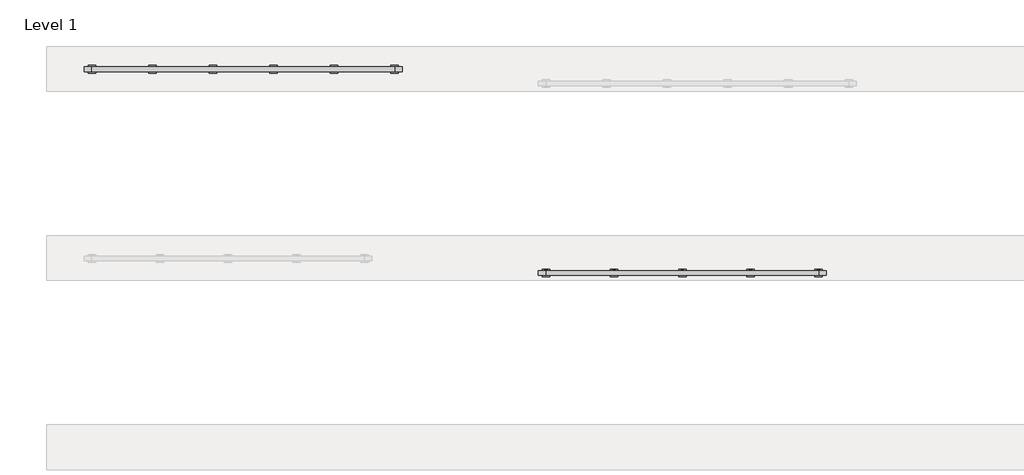
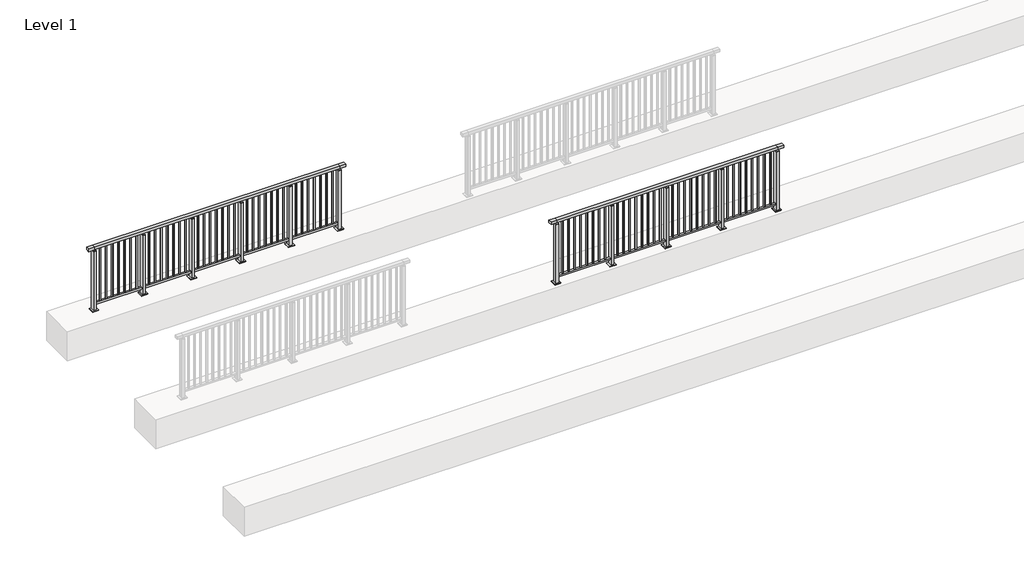
# One storey, part 13 of 37: 2 railings.
"""IFC4 building model written with IfcOpenShell, lengths in millimetres."""

from ifc_helpers import new_model, si_unit, frame, origin, origin_with_axes, place, context, project, spatial, polyline, outline, extrude, faceted_brep, element, save

model = new_model("IFC4")

# Units and contexts
model_context = context("Model", 3, world=origin())
ifc_project = project(units=[si_unit("LENGTHUNIT", "METRE", prefix="MILLI")], contexts=[model_context])

# Site, building, storey
site = spatial("IfcSite", under=ifc_project)
building = spatial("IfcBuilding", under=site)
storey = spatial("IfcBuildingStorey", under=building, Name="Level 1", Elevation=0.0)

# Railings
placement = place(None, origin())
element("IfcRailing", 1, at=placement, inside=storey, context=model_context, shape_type="SolidModel", body=[
    faceted_brep([(0.0, 22720.1846828, 1055.0), (0.0, 22720.1846828, 1100.0), (4000.0, 22720.1846828, 1100.0), (4000.0, 22720.1846828, 1055.0), (0.0, 22660.1846828, 1055.0), (4000.0, 22660.1846828, 1055.0), (0.0, 22660.1846828, 1100.0), (4000.0, 22660.1846828, 1100.0), (-100.0, 22720.1846828, 1100.0), (-100.0, 22720.1846828, 1055.0), (-100.0, 22660.1846828, 1055.0), (-100.0, 22660.1846828, 1100.0), (4100.0, 22720.1846828, 1100.0), (4100.0, 22660.1846828, 1100.0), (4100.0, 22660.1846828, 1055.0), (4100.0, 22720.1846828, 1055.0)], [[[0, 1, 2, 3]], [[4, 0, 3, 5]], [[6, 4, 5, 7]], [[1, 6, 7, 2]], [[8, 9, 10, 11]], [[9, 8, 1, 0]], [[10, 9, 0, 4]], [[11, 10, 4, 6]], [[8, 11, 6, 1]], [[12, 13, 14, 15]], [[3, 2, 12, 15]], [[5, 3, 15, 14]], [[7, 5, 14, 13]], [[2, 7, 13, 12]]]),
    extrude(outline(polyline([(0.0, 22672.6846828), (0.0, 22707.6846828), (4000.0, 22707.6846828), (4000.0, 22672.6846828), (0.0, 22672.6846828)])), frame((0.0, 0.0, 95.0), z_axis=(0.0, 0.0, 1.0), x_axis=(1.0, 0.0, 0.0)), (0.0, 0.0, 1.0), 30.0),
    extrude(outline(polyline([(3908.5, 22698.6846828), (3908.5, 22681.6846828), (3891.5, 22681.6846828), (3891.5, 22698.6846828), (3908.5, 22698.6846828)])), frame((0.0, 0.0, 125.0), z_axis=(0.0, 0.0, 1.0), x_axis=(1.0, 0.0, 0.0)), (0.0, 0.0, 1.0), 930.0),
    extrude(outline(polyline([(3808.5, 22698.6846828), (3808.5, 22681.6846828), (3791.5, 22681.6846828), (3791.5, 22698.6846828), (3808.5, 22698.6846828)])), frame((0.0, 0.0, 125.0), z_axis=(0.0, 0.0, 1.0), x_axis=(1.0, 0.0, 0.0)), (0.0, 0.0, 1.0), 930.0),
    extrude(outline(polyline([(3708.5, 22698.6846828), (3708.5, 22681.6846828), (3691.5, 22681.6846828), (3691.5, 22698.6846828), (3708.5, 22698.6846828)])), frame((0.0, 0.0, 125.0), z_axis=(0.0, 0.0, 1.0), x_axis=(1.0, 0.0, 0.0)), (0.0, 0.0, 1.0), 930.0),
    extrude(outline(polyline([(3608.5, 22698.6846828), (3608.5, 22681.6846828), (3591.5, 22681.6846828), (3591.5, 22698.6846828), (3608.5, 22698.6846828)])), frame((0.0, 0.0, 125.0), z_axis=(0.0, 0.0, 1.0), x_axis=(1.0, 0.0, 0.0)), (0.0, 0.0, 1.0), 930.0),
    extrude(outline(polyline([(3508.5, 22698.6846828), (3508.5, 22681.6846828), (3491.5, 22681.6846828), (3491.5, 22698.6846828), (3508.5, 22698.6846828)])), frame((0.0, 0.0, 125.0), z_axis=(0.0, 0.0, 1.0), x_axis=(1.0, 0.0, 0.0)), (0.0, 0.0, 1.0), 930.0),
    extrude(outline(polyline([(3408.5, 22698.6846828), (3408.5, 22681.6846828), (3391.5, 22681.6846828), (3391.5, 22698.6846828), (3408.5, 22698.6846828)])), frame((0.0, 0.0, 125.0), z_axis=(0.0, 0.0, 1.0), x_axis=(1.0, 0.0, 0.0)), (0.0, 0.0, 1.0), 930.0),
    extrude(outline(polyline([(3308.5, 22698.6846828), (3308.5, 22681.6846828), (3291.5, 22681.6846828), (3291.5, 22698.6846828), (3308.5, 22698.6846828)])), frame((0.0, 0.0, 125.0), z_axis=(0.0, 0.0, 1.0), x_axis=(1.0, 0.0, 0.0)), (0.0, 0.0, 1.0), 930.0),
    extrude(outline(polyline([(3210.0, 22680.1846828), (3190.0, 22680.1846828), (3190.0, 22700.1846828), (3210.0, 22700.1846828), (3210.0, 22680.1846828)])), frame((0.0, 0.0, 1035.0), z_axis=(0.0, 0.0, 1.0), x_axis=(1.0, 0.0, 0.0)), (0.0, 0.0, 1.0), 20.0),
    extrude(outline(polyline([(3222.5, 22657.6846828), (3177.5, 22657.6846828), (3177.5, 22722.6846828), (3222.5, 22722.6846828), (3222.5, 22657.6846828)])), frame((0.0, 0.0, 1027.0), z_axis=(0.0, 0.0, 1.0), x_axis=(1.0, 0.0, 0.0)), (0.0, 0.0, 1.0), 8.0),
    extrude(outline(polyline([(3250.0, 22640.1846828), (3150.0, 22640.1846828), (3150.0, 22740.1846828), (3250.0, 22740.1846828), (3250.0, 22640.1846828)])), origin_with_axes(), (0.0, 0.0, 1.0), 12.0),
    extrude(outline(polyline([(3222.5, 22657.6846828), (3177.5, 22657.6846828), (3177.5, 22722.6846828), (3222.5, 22722.6846828), (3222.5, 22657.6846828)])), frame((0.0, 0.0, 12.0), z_axis=(0.0, 0.0, 1.0), x_axis=(1.0, 0.0, 0.0)), (0.0, 0.0, 1.0), 1015.0),
    extrude(outline(polyline([(3108.5, 22698.6846828), (3108.5, 22681.6846828), (3091.5, 22681.6846828), (3091.5, 22698.6846828), (3108.5, 22698.6846828)])), frame((0.0, 0.0, 125.0), z_axis=(0.0, 0.0, 1.0), x_axis=(1.0, 0.0, 0.0)), (0.0, 0.0, 1.0), 930.0),
    extrude(outline(polyline([(3008.5, 22698.6846828), (3008.5, 22681.6846828), (2991.5, 22681.6846828), (2991.5, 22698.6846828), (3008.5, 22698.6846828)])), frame((0.0, 0.0, 125.0), z_axis=(0.0, 0.0, 1.0), x_axis=(1.0, 0.0, 0.0)), (0.0, 0.0, 1.0), 930.0),
    extrude(outline(polyline([(2908.5, 22698.6846828), (2908.5, 22681.6846828), (2891.5, 22681.6846828), (2891.5, 22698.6846828), (2908.5, 22698.6846828)])), frame((0.0, 0.0, 125.0), z_axis=(0.0, 0.0, 1.0), x_axis=(1.0, 0.0, 0.0)), (0.0, 0.0, 1.0), 930.0),
    extrude(outline(polyline([(2808.5, 22698.6846828), (2808.5, 22681.6846828), (2791.5, 22681.6846828), (2791.5, 22698.6846828), (2808.5, 22698.6846828)])), frame((0.0, 0.0, 125.0), z_axis=(0.0, 0.0, 1.0), x_axis=(1.0, 0.0, 0.0)), (0.0, 0.0, 1.0), 930.0),
    extrude(outline(polyline([(2708.5, 22698.6846828), (2708.5, 22681.6846828), (2691.5, 22681.6846828), (2691.5, 22698.6846828), (2708.5, 22698.6846828)])), frame((0.0, 0.0, 125.0), z_axis=(0.0, 0.0, 1.0), x_axis=(1.0, 0.0, 0.0)), (0.0, 0.0, 1.0), 930.0),
    extrude(outline(polyline([(2608.5, 22698.6846828), (2608.5, 22681.6846828), (2591.5, 22681.6846828), (2591.5, 22698.6846828), (2608.5, 22698.6846828)])), frame((0.0, 0.0, 125.0), z_axis=(0.0, 0.0, 1.0), x_axis=(1.0, 0.0, 0.0)), (0.0, 0.0, 1.0), 930.0),
    extrude(outline(polyline([(2508.5, 22698.6846828), (2508.5, 22681.6846828), (2491.5, 22681.6846828), (2491.5, 22698.6846828), (2508.5, 22698.6846828)])), frame((0.0, 0.0, 125.0), z_axis=(0.0, 0.0, 1.0), x_axis=(1.0, 0.0, 0.0)), (0.0, 0.0, 1.0), 930.0),
    extrude(outline(polyline([(2410.0, 22680.1846828), (2390.0, 22680.1846828), (2390.0, 22700.1846828), (2410.0, 22700.1846828), (2410.0, 22680.1846828)])), frame((0.0, 0.0, 1035.0), z_axis=(0.0, 0.0, 1.0), x_axis=(1.0, 0.0, 0.0)), (0.0, 0.0, 1.0), 20.0),
    extrude(outline(polyline([(2422.5, 22657.6846828), (2377.5, 22657.6846828), (2377.5, 22722.6846828), (2422.5, 22722.6846828), (2422.5, 22657.6846828)])), frame((0.0, 0.0, 1027.0), z_axis=(0.0, 0.0, 1.0), x_axis=(1.0, 0.0, 0.0)), (0.0, 0.0, 1.0), 8.0),
    extrude(outline(polyline([(2450.0, 22640.1846828), (2350.0, 22640.1846828), (2350.0, 22740.1846828), (2450.0, 22740.1846828), (2450.0, 22640.1846828)])), origin_with_axes(), (0.0, 0.0, 1.0), 12.0),
    extrude(outline(polyline([(2422.5, 22657.6846828), (2377.5, 22657.6846828), (2377.5, 22722.6846828), (2422.5, 22722.6846828), (2422.5, 22657.6846828)])), frame((0.0, 0.0, 12.0), z_axis=(0.0, 0.0, 1.0), x_axis=(1.0, 0.0, 0.0)), (0.0, 0.0, 1.0), 1015.0),
    extrude(outline(polyline([(2308.5, 22698.6846828), (2308.5, 22681.6846828), (2291.5, 22681.6846828), (2291.5, 22698.6846828), (2308.5, 22698.6846828)])), frame((0.0, 0.0, 125.0), z_axis=(0.0, 0.0, 1.0), x_axis=(1.0, 0.0, 0.0)), (0.0, 0.0, 1.0), 930.0),
    extrude(outline(polyline([(2208.5, 22698.6846828), (2208.5, 22681.6846828), (2191.5, 22681.6846828), (2191.5, 22698.6846828), (2208.5, 22698.6846828)])), frame((0.0, 0.0, 125.0), z_axis=(0.0, 0.0, 1.0), x_axis=(1.0, 0.0, 0.0)), (0.0, 0.0, 1.0), 930.0),
    extrude(outline(polyline([(2108.5, 22698.6846828), (2108.5, 22681.6846828), (2091.5, 22681.6846828), (2091.5, 22698.6846828), (2108.5, 22698.6846828)])), frame((0.0, 0.0, 125.0), z_axis=(0.0, 0.0, 1.0), x_axis=(1.0, 0.0, 0.0)), (0.0, 0.0, 1.0), 930.0),
    extrude(outline(polyline([(2008.5, 22698.6846828), (2008.5, 22681.6846828), (1991.5, 22681.6846828), (1991.5, 22698.6846828), (2008.5, 22698.6846828)])), frame((0.0, 0.0, 125.0), z_axis=(0.0, 0.0, 1.0), x_axis=(1.0, 0.0, 0.0)), (0.0, 0.0, 1.0), 930.0),
    extrude(outline(polyline([(1908.5, 22698.6846828), (1908.5, 22681.6846828), (1891.5, 22681.6846828), (1891.5, 22698.6846828), (1908.5, 22698.6846828)])), frame((0.0, 0.0, 125.0), z_axis=(0.0, 0.0, 1.0), x_axis=(1.0, 0.0, 0.0)), (0.0, 0.0, 1.0), 930.0),
    extrude(outline(polyline([(1808.5, 22698.6846828), (1808.5, 22681.6846828), (1791.5, 22681.6846828), (1791.5, 22698.6846828), (1808.5, 22698.6846828)])), frame((0.0, 0.0, 125.0), z_axis=(0.0, 0.0, 1.0), x_axis=(1.0, 0.0, 0.0)), (0.0, 0.0, 1.0), 930.0),
    extrude(outline(polyline([(1708.5, 22698.6846828), (1708.5, 22681.6846828), (1691.5, 22681.6846828), (1691.5, 22698.6846828), (1708.5, 22698.6846828)])), frame((0.0, 0.0, 125.0), z_axis=(0.0, 0.0, 1.0), x_axis=(1.0, 0.0, 0.0)), (0.0, 0.0, 1.0), 930.0),
    extrude(outline(polyline([(1610.0, 22680.1846828), (1590.0, 22680.1846828), (1590.0, 22700.1846828), (1610.0, 22700.1846828), (1610.0, 22680.1846828)])), frame((0.0, 0.0, 1035.0), z_axis=(0.0, 0.0, 1.0), x_axis=(1.0, 0.0, 0.0)), (0.0, 0.0, 1.0), 20.0),
    extrude(outline(polyline([(1622.5, 22657.6846828), (1577.5, 22657.6846828), (1577.5, 22722.6846828), (1622.5, 22722.6846828), (1622.5, 22657.6846828)])), frame((0.0, 0.0, 1027.0), z_axis=(0.0, 0.0, 1.0), x_axis=(1.0, 0.0, 0.0)), (0.0, 0.0, 1.0), 8.0),
    extrude(outline(polyline([(1650.0, 22640.1846828), (1550.0, 22640.1846828), (1550.0, 22740.1846828), (1650.0, 22740.1846828), (1650.0, 22640.1846828)])), origin_with_axes(), (0.0, 0.0, 1.0), 12.0),
    extrude(outline(polyline([(1622.5, 22657.6846828), (1577.5, 22657.6846828), (1577.5, 22722.6846828), (1622.5, 22722.6846828), (1622.5, 22657.6846828)])), frame((0.0, 0.0, 12.0), z_axis=(0.0, 0.0, 1.0), x_axis=(1.0, 0.0, 0.0)), (0.0, 0.0, 1.0), 1015.0),
    extrude(outline(polyline([(1508.5, 22698.6846828), (1508.5, 22681.6846828), (1491.5, 22681.6846828), (1491.5, 22698.6846828), (1508.5, 22698.6846828)])), frame((0.0, 0.0, 125.0), z_axis=(0.0, 0.0, 1.0), x_axis=(1.0, 0.0, 0.0)), (0.0, 0.0, 1.0), 930.0),
    extrude(outline(polyline([(1408.5, 22698.6846828), (1408.5, 22681.6846828), (1391.5, 22681.6846828), (1391.5, 22698.6846828), (1408.5, 22698.6846828)])), frame((0.0, 0.0, 125.0), z_axis=(0.0, 0.0, 1.0), x_axis=(1.0, 0.0, 0.0)), (0.0, 0.0, 1.0), 930.0),
    extrude(outline(polyline([(1308.5, 22698.6846828), (1308.5, 22681.6846828), (1291.5, 22681.6846828), (1291.5, 22698.6846828), (1308.5, 22698.6846828)])), frame((0.0, 0.0, 125.0), z_axis=(0.0, 0.0, 1.0), x_axis=(1.0, 0.0, 0.0)), (0.0, 0.0, 1.0), 930.0),
    extrude(outline(polyline([(1208.5, 22698.6846828), (1208.5, 22681.6846828), (1191.5, 22681.6846828), (1191.5, 22698.6846828), (1208.5, 22698.6846828)])), frame((0.0, 0.0, 125.0), z_axis=(0.0, 0.0, 1.0), x_axis=(1.0, 0.0, 0.0)), (0.0, 0.0, 1.0), 930.0),
    extrude(outline(polyline([(1108.5, 22698.6846828), (1108.5, 22681.6846828), (1091.5, 22681.6846828), (1091.5, 22698.6846828), (1108.5, 22698.6846828)])), frame((0.0, 0.0, 125.0), z_axis=(0.0, 0.0, 1.0), x_axis=(1.0, 0.0, 0.0)), (0.0, 0.0, 1.0), 930.0),
    extrude(outline(polyline([(1008.5, 22698.6846828), (1008.5, 22681.6846828), (991.5, 22681.6846828), (991.5, 22698.6846828), (1008.5, 22698.6846828)])), frame((0.0, 0.0, 125.0), z_axis=(0.0, 0.0, 1.0), x_axis=(1.0, 0.0, 0.0)), (0.0, 0.0, 1.0), 930.0),
    extrude(outline(polyline([(908.5, 22698.6846828), (908.5, 22681.6846828), (891.5, 22681.6846828), (891.5, 22698.6846828), (908.5, 22698.6846828)])), frame((0.0, 0.0, 125.0), z_axis=(0.0, 0.0, 1.0), x_axis=(1.0, 0.0, 0.0)), (0.0, 0.0, 1.0), 930.0),
    extrude(outline(polyline([(810.0, 22680.1846828), (790.0, 22680.1846828), (790.0, 22700.1846828), (810.0, 22700.1846828), (810.0, 22680.1846828)])), frame((0.0, 0.0, 1035.0), z_axis=(0.0, 0.0, 1.0), x_axis=(1.0, 0.0, 0.0)), (0.0, 0.0, 1.0), 20.0),
    extrude(outline(polyline([(822.5, 22657.6846828), (777.5, 22657.6846828), (777.5, 22722.6846828), (822.5, 22722.6846828), (822.5, 22657.6846828)])), frame((0.0, 0.0, 1027.0), z_axis=(0.0, 0.0, 1.0), x_axis=(1.0, 0.0, 0.0)), (0.0, 0.0, 1.0), 8.0),
    extrude(outline(polyline([(850.0, 22640.1846828), (750.0, 22640.1846828), (750.0, 22740.1846828), (850.0, 22740.1846828), (850.0, 22640.1846828)])), origin_with_axes(), (0.0, 0.0, 1.0), 12.0),
    extrude(outline(polyline([(822.5, 22657.6846828), (777.5, 22657.6846828), (777.5, 22722.6846828), (822.5, 22722.6846828), (822.5, 22657.6846828)])), frame((0.0, 0.0, 12.0), z_axis=(0.0, 0.0, 1.0), x_axis=(1.0, 0.0, 0.0)), (0.0, 0.0, 1.0), 1015.0),
    extrude(outline(polyline([(708.5, 22698.6846828), (708.5, 22681.6846828), (691.5, 22681.6846828), (691.5, 22698.6846828), (708.5, 22698.6846828)])), frame((0.0, 0.0, 125.0), z_axis=(0.0, 0.0, 1.0), x_axis=(1.0, 0.0, 0.0)), (0.0, 0.0, 1.0), 930.0),
    extrude(outline(polyline([(608.5, 22698.6846828), (608.5, 22681.6846828), (591.5, 22681.6846828), (591.5, 22698.6846828), (608.5, 22698.6846828)])), frame((0.0, 0.0, 125.0), z_axis=(0.0, 0.0, 1.0), x_axis=(1.0, 0.0, 0.0)), (0.0, 0.0, 1.0), 930.0),
    extrude(outline(polyline([(508.5, 22698.6846828), (508.5, 22681.6846828), (491.5, 22681.6846828), (491.5, 22698.6846828), (508.5, 22698.6846828)])), frame((0.0, 0.0, 125.0), z_axis=(0.0, 0.0, 1.0), x_axis=(1.0, 0.0, 0.0)), (0.0, 0.0, 1.0), 930.0),
    extrude(outline(polyline([(408.5, 22698.6846828), (408.5, 22681.6846828), (391.5, 22681.6846828), (391.5, 22698.6846828), (408.5, 22698.6846828)])), frame((0.0, 0.0, 125.0), z_axis=(0.0, 0.0, 1.0), x_axis=(1.0, 0.0, 0.0)), (0.0, 0.0, 1.0), 930.0),
    extrude(outline(polyline([(308.5, 22698.6846828), (308.5, 22681.6846828), (291.5, 22681.6846828), (291.5, 22698.6846828), (308.5, 22698.6846828)])), frame((0.0, 0.0, 125.0), z_axis=(0.0, 0.0, 1.0), x_axis=(1.0, 0.0, 0.0)), (0.0, 0.0, 1.0), 930.0),
    extrude(outline(polyline([(208.5, 22698.6846828), (208.5, 22681.6846828), (191.5, 22681.6846828), (191.5, 22698.6846828), (208.5, 22698.6846828)])), frame((0.0, 0.0, 125.0), z_axis=(0.0, 0.0, 1.0), x_axis=(1.0, 0.0, 0.0)), (0.0, 0.0, 1.0), 930.0),
    extrude(outline(polyline([(108.5, 22698.6846828), (108.5, 22681.6846828), (91.5, 22681.6846828), (91.5, 22698.6846828), (108.5, 22698.6846828)])), frame((0.0, 0.0, 125.0), z_axis=(0.0, 0.0, 1.0), x_axis=(1.0, 0.0, 0.0)), (0.0, 0.0, 1.0), 930.0),
    extrude(outline(polyline([(4010.0, 22680.1846828), (3990.0, 22680.1846828), (3990.0, 22700.1846828), (4010.0, 22700.1846828), (4010.0, 22680.1846828)])), frame((0.0, 0.0, 1035.0), z_axis=(0.0, 0.0, 1.0), x_axis=(1.0, 0.0, 0.0)), (0.0, 0.0, 1.0), 20.0),
    extrude(outline(polyline([(4022.5, 22657.6846828), (3977.5, 22657.6846828), (3977.5, 22722.6846828), (4022.5, 22722.6846828), (4022.5, 22657.6846828)])), frame((0.0, 0.0, 1027.0), z_axis=(0.0, 0.0, 1.0), x_axis=(1.0, 0.0, 0.0)), (0.0, 0.0, 1.0), 8.0),
    extrude(outline(polyline([(4050.0, 22640.1846828), (3950.0, 22640.1846828), (3950.0, 22740.1846828), (4050.0, 22740.1846828), (4050.0, 22640.1846828)])), origin_with_axes(), (0.0, 0.0, 1.0), 12.0),
    extrude(outline(polyline([(4022.5, 22657.6846828), (3977.5, 22657.6846828), (3977.5, 22722.6846828), (4022.5, 22722.6846828), (4022.5, 22657.6846828)])), frame((0.0, 0.0, 12.0), z_axis=(0.0, 0.0, 1.0), x_axis=(1.0, 0.0, 0.0)), (0.0, 0.0, 1.0), 1015.0),
    extrude(outline(polyline([(10.0, 22680.1846828), (-10.0, 22680.1846828), (-10.0, 22700.1846828), (10.0, 22700.1846828), (10.0, 22680.1846828)])), frame((0.0, 0.0, 1035.0), z_axis=(0.0, 0.0, 1.0), x_axis=(1.0, 0.0, 0.0)), (0.0, 0.0, 1.0), 20.0),
    extrude(outline(polyline([(22.5, 22657.6846828), (-22.5, 22657.6846828), (-22.5, 22722.6846828), (22.5, 22722.6846828), (22.5, 22657.6846828)])), frame((0.0, 0.0, 1027.0), z_axis=(0.0, 0.0, 1.0), x_axis=(1.0, 0.0, 0.0)), (0.0, 0.0, 1.0), 8.0),
    extrude(outline(polyline([(50.0, 22640.1846828), (-50.0, 22640.1846828), (-50.0, 22740.1846828), (50.0, 22740.1846828), (50.0, 22640.1846828)])), origin_with_axes(), (0.0, 0.0, 1.0), 12.0),
    extrude(outline(polyline([(22.5, 22657.6846828), (-22.5, 22657.6846828), (-22.5, 22722.6846828), (22.5, 22722.6846828), (22.5, 22657.6846828)])), frame((0.0, 0.0, 12.0), z_axis=(0.0, 0.0, 1.0), x_axis=(1.0, 0.0, 0.0)), (0.0, 0.0, 1.0), 1015.0),
])
element("IfcRailing", 2, at=placement, inside=storey, context=model_context, shape_type="SolidModel", body=[
    faceted_brep([(6000.0, 20030.1846828, 1055.0), (6000.0, 20030.1846828, 1100.0), (9600.0, 20030.1846828, 1100.0), (9600.0, 20030.1846828, 1055.0), (6000.0, 19970.1846828, 1055.0), (9600.0, 19970.1846828, 1055.0), (6000.0, 19970.1846828, 1100.0), (9600.0, 19970.1846828, 1100.0), (5900.0, 20030.1846828, 1100.0), (5900.0, 20030.1846828, 1055.0), (5900.0, 19970.1846828, 1055.0), (5900.0, 19970.1846828, 1100.0), (9700.0, 20030.1846828, 1100.0), (9700.0, 19970.1846828, 1100.0), (9700.0, 19970.1846828, 1055.0), (9700.0, 20030.1846828, 1055.0)], [[[0, 1, 2, 3]], [[4, 0, 3, 5]], [[6, 4, 5, 7]], [[1, 6, 7, 2]], [[8, 9, 10, 11]], [[9, 8, 1, 0]], [[10, 9, 0, 4]], [[11, 10, 4, 6]], [[8, 11, 6, 1]], [[12, 13, 14, 15]], [[3, 2, 12, 15]], [[5, 3, 15, 14]], [[7, 5, 14, 13]], [[2, 7, 13, 12]]]),
    extrude(outline(polyline([(6000.0, 19982.6846828), (6000.0, 20017.6846828), (9600.0, 20017.6846828), (9600.0, 19982.6846828), (6000.0, 19982.6846828)])), frame((0.0, 0.0, 95.0), z_axis=(0.0, 0.0, 1.0), x_axis=(1.0, 0.0, 0.0)), (0.0, 0.0, 1.0), 30.0),
    extrude(outline(polyline([(9508.5, 20008.6846828), (9508.5, 19991.6846828), (9491.5, 19991.6846828), (9491.5, 20008.6846828), (9508.5, 20008.6846828)])), frame((0.0, 0.0, 125.0), z_axis=(0.0, 0.0, 1.0), x_axis=(1.0, 0.0, 0.0)), (0.0, 0.0, 1.0), 930.0),
    extrude(outline(polyline([(9408.5, 20008.6846828), (9408.5, 19991.6846828), (9391.5, 19991.6846828), (9391.5, 20008.6846828), (9408.5, 20008.6846828)])), frame((0.0, 0.0, 125.0), z_axis=(0.0, 0.0, 1.0), x_axis=(1.0, 0.0, 0.0)), (0.0, 0.0, 1.0), 930.0),
    extrude(outline(polyline([(9308.5, 20008.6846828), (9308.5, 19991.6846828), (9291.5, 19991.6846828), (9291.5, 20008.6846828), (9308.5, 20008.6846828)])), frame((0.0, 0.0, 125.0), z_axis=(0.0, 0.0, 1.0), x_axis=(1.0, 0.0, 0.0)), (0.0, 0.0, 1.0), 930.0),
    extrude(outline(polyline([(9208.5, 20008.6846828), (9208.5, 19991.6846828), (9191.5, 19991.6846828), (9191.5, 20008.6846828), (9208.5, 20008.6846828)])), frame((0.0, 0.0, 125.0), z_axis=(0.0, 0.0, 1.0), x_axis=(1.0, 0.0, 0.0)), (0.0, 0.0, 1.0), 930.0),
    extrude(outline(polyline([(9108.5, 20008.6846828), (9108.5, 19991.6846828), (9091.5, 19991.6846828), (9091.5, 20008.6846828), (9108.5, 20008.6846828)])), frame((0.0, 0.0, 125.0), z_axis=(0.0, 0.0, 1.0), x_axis=(1.0, 0.0, 0.0)), (0.0, 0.0, 1.0), 930.0),
    extrude(outline(polyline([(9008.5, 20008.6846828), (9008.5, 19991.6846828), (8991.5, 19991.6846828), (8991.5, 20008.6846828), (9008.5, 20008.6846828)])), frame((0.0, 0.0, 125.0), z_axis=(0.0, 0.0, 1.0), x_axis=(1.0, 0.0, 0.0)), (0.0, 0.0, 1.0), 930.0),
    extrude(outline(polyline([(8908.5, 20008.6846828), (8908.5, 19991.6846828), (8891.5, 19991.6846828), (8891.5, 20008.6846828), (8908.5, 20008.6846828)])), frame((0.0, 0.0, 125.0), z_axis=(0.0, 0.0, 1.0), x_axis=(1.0, 0.0, 0.0)), (0.0, 0.0, 1.0), 930.0),
    extrude(outline(polyline([(8808.5, 20008.6846828), (8808.5, 19991.6846828), (8791.5, 19991.6846828), (8791.5, 20008.6846828), (8808.5, 20008.6846828)])), frame((0.0, 0.0, 125.0), z_axis=(0.0, 0.0, 1.0), x_axis=(1.0, 0.0, 0.0)), (0.0, 0.0, 1.0), 930.0),
    extrude(outline(polyline([(8710.0, 19990.1846828), (8690.0, 19990.1846828), (8690.0, 20010.1846828), (8710.0, 20010.1846828), (8710.0, 19990.1846828)])), frame((0.0, 0.0, 1035.0), z_axis=(0.0, 0.0, 1.0), x_axis=(1.0, 0.0, 0.0)), (0.0, 0.0, 1.0), 20.0),
    extrude(outline(polyline([(8722.5, 19967.6846828), (8677.5, 19967.6846828), (8677.5, 20032.6846828), (8722.5, 20032.6846828), (8722.5, 19967.6846828)])), frame((0.0, 0.0, 1027.0), z_axis=(0.0, 0.0, 1.0), x_axis=(1.0, 0.0, 0.0)), (0.0, 0.0, 1.0), 8.0),
    extrude(outline(polyline([(8750.0, 19950.1846828), (8650.0, 19950.1846828), (8650.0, 20050.1846828), (8750.0, 20050.1846828), (8750.0, 19950.1846828)])), origin_with_axes(), (0.0, 0.0, 1.0), 12.0),
    extrude(outline(polyline([(8722.5, 19967.6846828), (8677.5, 19967.6846828), (8677.5, 20032.6846828), (8722.5, 20032.6846828), (8722.5, 19967.6846828)])), frame((0.0, 0.0, 12.0), z_axis=(0.0, 0.0, 1.0), x_axis=(1.0, 0.0, 0.0)), (0.0, 0.0, 1.0), 1015.0),
    extrude(outline(polyline([(8608.5, 20008.6846828), (8608.5, 19991.6846828), (8591.5, 19991.6846828), (8591.5, 20008.6846828), (8608.5, 20008.6846828)])), frame((0.0, 0.0, 125.0), z_axis=(0.0, 0.0, 1.0), x_axis=(1.0, 0.0, 0.0)), (0.0, 0.0, 1.0), 930.0),
    extrude(outline(polyline([(8508.5, 20008.6846828), (8508.5, 19991.6846828), (8491.5, 19991.6846828), (8491.5, 20008.6846828), (8508.5, 20008.6846828)])), frame((0.0, 0.0, 125.0), z_axis=(0.0, 0.0, 1.0), x_axis=(1.0, 0.0, 0.0)), (0.0, 0.0, 1.0), 930.0),
    extrude(outline(polyline([(8408.5, 20008.6846828), (8408.5, 19991.6846828), (8391.5, 19991.6846828), (8391.5, 20008.6846828), (8408.5, 20008.6846828)])), frame((0.0, 0.0, 125.0), z_axis=(0.0, 0.0, 1.0), x_axis=(1.0, 0.0, 0.0)), (0.0, 0.0, 1.0), 930.0),
    extrude(outline(polyline([(8308.5, 20008.6846828), (8308.5, 19991.6846828), (8291.5, 19991.6846828), (8291.5, 20008.6846828), (8308.5, 20008.6846828)])), frame((0.0, 0.0, 125.0), z_axis=(0.0, 0.0, 1.0), x_axis=(1.0, 0.0, 0.0)), (0.0, 0.0, 1.0), 930.0),
    extrude(outline(polyline([(8208.5, 20008.6846828), (8208.5, 19991.6846828), (8191.5, 19991.6846828), (8191.5, 20008.6846828), (8208.5, 20008.6846828)])), frame((0.0, 0.0, 125.0), z_axis=(0.0, 0.0, 1.0), x_axis=(1.0, 0.0, 0.0)), (0.0, 0.0, 1.0), 930.0),
    extrude(outline(polyline([(8108.5, 20008.6846828), (8108.5, 19991.6846828), (8091.5, 19991.6846828), (8091.5, 20008.6846828), (8108.5, 20008.6846828)])), frame((0.0, 0.0, 125.0), z_axis=(0.0, 0.0, 1.0), x_axis=(1.0, 0.0, 0.0)), (0.0, 0.0, 1.0), 930.0),
    extrude(outline(polyline([(8008.5, 20008.6846828), (8008.5, 19991.6846828), (7991.5, 19991.6846828), (7991.5, 20008.6846828), (8008.5, 20008.6846828)])), frame((0.0, 0.0, 125.0), z_axis=(0.0, 0.0, 1.0), x_axis=(1.0, 0.0, 0.0)), (0.0, 0.0, 1.0), 930.0),
    extrude(outline(polyline([(7908.5, 20008.6846828), (7908.5, 19991.6846828), (7891.5, 19991.6846828), (7891.5, 20008.6846828), (7908.5, 20008.6846828)])), frame((0.0, 0.0, 125.0), z_axis=(0.0, 0.0, 1.0), x_axis=(1.0, 0.0, 0.0)), (0.0, 0.0, 1.0), 930.0),
    extrude(outline(polyline([(7810.0, 19990.1846828), (7790.0, 19990.1846828), (7790.0, 20010.1846828), (7810.0, 20010.1846828), (7810.0, 19990.1846828)])), frame((0.0, 0.0, 1035.0), z_axis=(0.0, 0.0, 1.0), x_axis=(1.0, 0.0, 0.0)), (0.0, 0.0, 1.0), 20.0),
    extrude(outline(polyline([(7822.5, 19967.6846828), (7777.5, 19967.6846828), (7777.5, 20032.6846828), (7822.5, 20032.6846828), (7822.5, 19967.6846828)])), frame((0.0, 0.0, 1027.0), z_axis=(0.0, 0.0, 1.0), x_axis=(1.0, 0.0, 0.0)), (0.0, 0.0, 1.0), 8.0),
    extrude(outline(polyline([(7850.0, 19950.1846828), (7750.0, 19950.1846828), (7750.0, 20050.1846828), (7850.0, 20050.1846828), (7850.0, 19950.1846828)])), origin_with_axes(), (0.0, 0.0, 1.0), 12.0),
    extrude(outline(polyline([(7822.5, 19967.6846828), (7777.5, 19967.6846828), (7777.5, 20032.6846828), (7822.5, 20032.6846828), (7822.5, 19967.6846828)])), frame((0.0, 0.0, 12.0), z_axis=(0.0, 0.0, 1.0), x_axis=(1.0, 0.0, 0.0)), (0.0, 0.0, 1.0), 1015.0),
    extrude(outline(polyline([(7708.5, 20008.6846828), (7708.5, 19991.6846828), (7691.5, 19991.6846828), (7691.5, 20008.6846828), (7708.5, 20008.6846828)])), frame((0.0, 0.0, 125.0), z_axis=(0.0, 0.0, 1.0), x_axis=(1.0, 0.0, 0.0)), (0.0, 0.0, 1.0), 930.0),
    extrude(outline(polyline([(7608.5, 20008.6846828), (7608.5, 19991.6846828), (7591.5, 19991.6846828), (7591.5, 20008.6846828), (7608.5, 20008.6846828)])), frame((0.0, 0.0, 125.0), z_axis=(0.0, 0.0, 1.0), x_axis=(1.0, 0.0, 0.0)), (0.0, 0.0, 1.0), 930.0),
    extrude(outline(polyline([(7508.5, 20008.6846828), (7508.5, 19991.6846828), (7491.5, 19991.6846828), (7491.5, 20008.6846828), (7508.5, 20008.6846828)])), frame((0.0, 0.0, 125.0), z_axis=(0.0, 0.0, 1.0), x_axis=(1.0, 0.0, 0.0)), (0.0, 0.0, 1.0), 930.0),
    extrude(outline(polyline([(7408.5, 20008.6846828), (7408.5, 19991.6846828), (7391.5, 19991.6846828), (7391.5, 20008.6846828), (7408.5, 20008.6846828)])), frame((0.0, 0.0, 125.0), z_axis=(0.0, 0.0, 1.0), x_axis=(1.0, 0.0, 0.0)), (0.0, 0.0, 1.0), 930.0),
    extrude(outline(polyline([(7308.5, 20008.6846828), (7308.5, 19991.6846828), (7291.5, 19991.6846828), (7291.5, 20008.6846828), (7308.5, 20008.6846828)])), frame((0.0, 0.0, 125.0), z_axis=(0.0, 0.0, 1.0), x_axis=(1.0, 0.0, 0.0)), (0.0, 0.0, 1.0), 930.0),
    extrude(outline(polyline([(7208.5, 20008.6846828), (7208.5, 19991.6846828), (7191.5, 19991.6846828), (7191.5, 20008.6846828), (7208.5, 20008.6846828)])), frame((0.0, 0.0, 125.0), z_axis=(0.0, 0.0, 1.0), x_axis=(1.0, 0.0, 0.0)), (0.0, 0.0, 1.0), 930.0),
    extrude(outline(polyline([(7108.5, 20008.6846828), (7108.5, 19991.6846828), (7091.5, 19991.6846828), (7091.5, 20008.6846828), (7108.5, 20008.6846828)])), frame((0.0, 0.0, 125.0), z_axis=(0.0, 0.0, 1.0), x_axis=(1.0, 0.0, 0.0)), (0.0, 0.0, 1.0), 930.0),
    extrude(outline(polyline([(7008.5, 20008.6846828), (7008.5, 19991.6846828), (6991.5, 19991.6846828), (6991.5, 20008.6846828), (7008.5, 20008.6846828)])), frame((0.0, 0.0, 125.0), z_axis=(0.0, 0.0, 1.0), x_axis=(1.0, 0.0, 0.0)), (0.0, 0.0, 1.0), 930.0),
    extrude(outline(polyline([(6910.0, 19990.1846828), (6890.0, 19990.1846828), (6890.0, 20010.1846828), (6910.0, 20010.1846828), (6910.0, 19990.1846828)])), frame((0.0, 0.0, 1035.0), z_axis=(0.0, 0.0, 1.0), x_axis=(1.0, 0.0, 0.0)), (0.0, 0.0, 1.0), 20.0),
    extrude(outline(polyline([(6922.5, 19967.6846828), (6877.5, 19967.6846828), (6877.5, 20032.6846828), (6922.5, 20032.6846828), (6922.5, 19967.6846828)])), frame((0.0, 0.0, 1027.0), z_axis=(0.0, 0.0, 1.0), x_axis=(1.0, 0.0, 0.0)), (0.0, 0.0, 1.0), 8.0),
    extrude(outline(polyline([(6950.0, 19950.1846828), (6850.0, 19950.1846828), (6850.0, 20050.1846828), (6950.0, 20050.1846828), (6950.0, 19950.1846828)])), origin_with_axes(), (0.0, 0.0, 1.0), 12.0),
    extrude(outline(polyline([(6922.5, 19967.6846828), (6877.5, 19967.6846828), (6877.5, 20032.6846828), (6922.5, 20032.6846828), (6922.5, 19967.6846828)])), frame((0.0, 0.0, 12.0), z_axis=(0.0, 0.0, 1.0), x_axis=(1.0, 0.0, 0.0)), (0.0, 0.0, 1.0), 1015.0),
    extrude(outline(polyline([(6808.5, 20008.6846828), (6808.5, 19991.6846828), (6791.5, 19991.6846828), (6791.5, 20008.6846828), (6808.5, 20008.6846828)])), frame((0.0, 0.0, 125.0), z_axis=(0.0, 0.0, 1.0), x_axis=(1.0, 0.0, 0.0)), (0.0, 0.0, 1.0), 930.0),
    extrude(outline(polyline([(6708.5, 20008.6846828), (6708.5, 19991.6846828), (6691.5, 19991.6846828), (6691.5, 20008.6846828), (6708.5, 20008.6846828)])), frame((0.0, 0.0, 125.0), z_axis=(0.0, 0.0, 1.0), x_axis=(1.0, 0.0, 0.0)), (0.0, 0.0, 1.0), 930.0),
    extrude(outline(polyline([(6608.5, 20008.6846828), (6608.5, 19991.6846828), (6591.5, 19991.6846828), (6591.5, 20008.6846828), (6608.5, 20008.6846828)])), frame((0.0, 0.0, 125.0), z_axis=(0.0, 0.0, 1.0), x_axis=(1.0, 0.0, 0.0)), (0.0, 0.0, 1.0), 930.0),
    extrude(outline(polyline([(6508.5, 20008.6846828), (6508.5, 19991.6846828), (6491.5, 19991.6846828), (6491.5, 20008.6846828), (6508.5, 20008.6846828)])), frame((0.0, 0.0, 125.0), z_axis=(0.0, 0.0, 1.0), x_axis=(1.0, 0.0, 0.0)), (0.0, 0.0, 1.0), 930.0),
    extrude(outline(polyline([(6408.5, 20008.6846828), (6408.5, 19991.6846828), (6391.5, 19991.6846828), (6391.5, 20008.6846828), (6408.5, 20008.6846828)])), frame((0.0, 0.0, 125.0), z_axis=(0.0, 0.0, 1.0), x_axis=(1.0, 0.0, 0.0)), (0.0, 0.0, 1.0), 930.0),
    extrude(outline(polyline([(6308.5, 20008.6846828), (6308.5, 19991.6846828), (6291.5, 19991.6846828), (6291.5, 20008.6846828), (6308.5, 20008.6846828)])), frame((0.0, 0.0, 125.0), z_axis=(0.0, 0.0, 1.0), x_axis=(1.0, 0.0, 0.0)), (0.0, 0.0, 1.0), 930.0),
    extrude(outline(polyline([(6208.5, 20008.6846828), (6208.5, 19991.6846828), (6191.5, 19991.6846828), (6191.5, 20008.6846828), (6208.5, 20008.6846828)])), frame((0.0, 0.0, 125.0), z_axis=(0.0, 0.0, 1.0), x_axis=(1.0, 0.0, 0.0)), (0.0, 0.0, 1.0), 930.0),
    extrude(outline(polyline([(6108.5, 20008.6846828), (6108.5, 19991.6846828), (6091.5, 19991.6846828), (6091.5, 20008.6846828), (6108.5, 20008.6846828)])), frame((0.0, 0.0, 125.0), z_axis=(0.0, 0.0, 1.0), x_axis=(1.0, 0.0, 0.0)), (0.0, 0.0, 1.0), 930.0),
    extrude(outline(polyline([(9610.0, 19990.1846828), (9590.0, 19990.1846828), (9590.0, 20010.1846828), (9610.0, 20010.1846828), (9610.0, 19990.1846828)])), frame((0.0, 0.0, 1035.0), z_axis=(0.0, 0.0, 1.0), x_axis=(1.0, 0.0, 0.0)), (0.0, 0.0, 1.0), 20.0),
    extrude(outline(polyline([(9622.5, 19967.6846828), (9577.5, 19967.6846828), (9577.5, 20032.6846828), (9622.5, 20032.6846828), (9622.5, 19967.6846828)])), frame((0.0, 0.0, 1027.0), z_axis=(0.0, 0.0, 1.0), x_axis=(1.0, 0.0, 0.0)), (0.0, 0.0, 1.0), 8.0),
    extrude(outline(polyline([(9650.0, 19950.1846828), (9550.0, 19950.1846828), (9550.0, 20050.1846828), (9650.0, 20050.1846828), (9650.0, 19950.1846828)])), origin_with_axes(), (0.0, 0.0, 1.0), 12.0),
    extrude(outline(polyline([(9622.5, 19967.6846828), (9577.5, 19967.6846828), (9577.5, 20032.6846828), (9622.5, 20032.6846828), (9622.5, 19967.6846828)])), frame((0.0, 0.0, 12.0), z_axis=(0.0, 0.0, 1.0), x_axis=(1.0, 0.0, 0.0)), (0.0, 0.0, 1.0), 1015.0),
    extrude(outline(polyline([(6010.0, 19990.1846828), (5990.0, 19990.1846828), (5990.0, 20010.1846828), (6010.0, 20010.1846828), (6010.0, 19990.1846828)])), frame((0.0, 0.0, 1035.0), z_axis=(0.0, 0.0, 1.0), x_axis=(1.0, 0.0, 0.0)), (0.0, 0.0, 1.0), 20.0),
    extrude(outline(polyline([(6022.5, 19967.6846828), (5977.5, 19967.6846828), (5977.5, 20032.6846828), (6022.5, 20032.6846828), (6022.5, 19967.6846828)])), frame((0.0, 0.0, 1027.0), z_axis=(0.0, 0.0, 1.0), x_axis=(1.0, 0.0, 0.0)), (0.0, 0.0, 1.0), 8.0),
    extrude(outline(polyline([(6050.0, 19950.1846828), (5950.0, 19950.1846828), (5950.0, 20050.1846828), (6050.0, 20050.1846828), (6050.0, 19950.1846828)])), origin_with_axes(), (0.0, 0.0, 1.0), 12.0),
    extrude(outline(polyline([(6022.5, 19967.6846828), (5977.5, 19967.6846828), (5977.5, 20032.6846828), (6022.5, 20032.6846828), (6022.5, 19967.6846828)])), frame((0.0, 0.0, 12.0), z_axis=(0.0, 0.0, 1.0), x_axis=(1.0, 0.0, 0.0)), (0.0, 0.0, 1.0), 1015.0),
])

save(model, "model.ifc")
